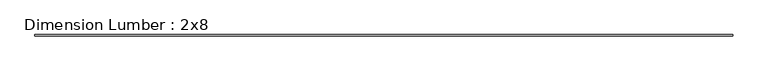
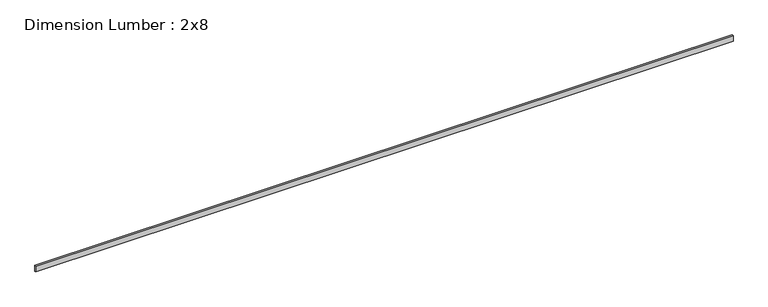
"""IFC4 building model written with IfcOpenShell, lengths in millimetres: beam geometry, Dimension Lumber : 2x8."""

from ifc_helpers import new_model, si_unit, frame, origin, place, context, project, spatial, polyline, outline, extrude, source, transform, mapped, element, save


def dimension_lumber_2x8_a344c5f8(model_context):
    return source(origin(), model_context, "Body", "SweptSolid", [
        extrude(outline(polyline([(10768.6714222, 19.05), (10768.6714222, -19.05), (-10768.6714222, -19.05), (-10768.6714222, 19.05), (10768.6714222, 19.05)])), frame((0.0, 0.0, -92.075), z_axis=(0.0, 0.0, 1.0), x_axis=(1.0, 0.0, 0.0)), (0.0, 0.0, 1.0), 184.15),
    ])


if __name__ == "__main__":
    model = new_model("IFC4")
    model_context = context("Model", 3, world=origin())
    ifc_project = project(units=[si_unit("LENGTHUNIT", "METRE", prefix="MILLI")], contexts=[model_context])
    site = spatial("IfcSite", under=ifc_project)
    building = spatial("IfcBuilding", under=site)
    placement = place(None, origin())
    dimension_lumber_2x8_shape = dimension_lumber_2x8_a344c5f8(model_context)
    element("IfcBeam", 1, ObjectType="Dimension Lumber : 2x8", at=placement, inside=building, context=model_context, shape_type="MappedRepresentation", body=[
        mapped(dimension_lumber_2x8_shape, transform((0.0, 0.0, 0.0), x_axis=(1.0, 0.0, 0.0), y_axis=(0.0, 1.0, 0.0), z_axis=(0.0, 0.0, 1.0))),
    ])
    save(model, "model.ifc")
